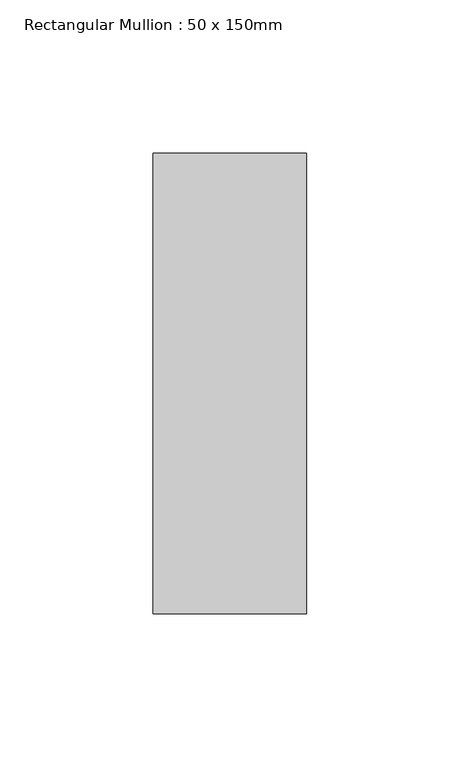
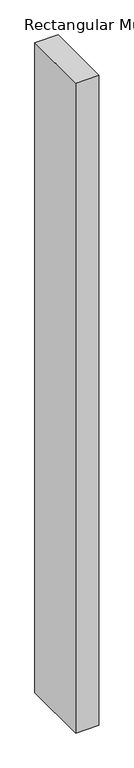
"""IFC4 building model written with IfcOpenShell, lengths in millimetres: member geometry, Rectangular Mullion : 50 x 150mm."""

from ifc_helpers import new_model, si_unit, frame, origin, place, context, project, spatial, polyline, outline, extrude, source, transform, mapped, element, save


def rectangular_mullion_50_x_150mm_5b1afe4d(model_context):
    return source(origin(), model_context, "Body", "SweptSolid", [
        extrude(outline(polyline([(25.0, 75.0), (25.0, -75.0), (-25.0, -75.0), (-25.0, 75.0), (25.0, 75.0)])), frame((0.0, 0.0, -1465.2835198), z_axis=(0.0, 0.0, 1.0), x_axis=(1.0, 0.0, 0.0)), (0.0, 0.0, 1.0), 1465.2835198),
    ])


if __name__ == "__main__":
    model = new_model("IFC4")
    model_context = context("Model", 3, world=origin())
    ifc_project = project(units=[si_unit("LENGTHUNIT", "METRE", prefix="MILLI")], contexts=[model_context])
    site = spatial("IfcSite", under=ifc_project)
    building = spatial("IfcBuilding", under=site)
    placement = place(None, origin())
    rectangular_mullion_50_x_150mm_shape = rectangular_mullion_50_x_150mm_5b1afe4d(model_context)
    element("IfcMember", 1, ObjectType="Rectangular Mullion : 50 x 150mm", at=placement, inside=building, context=model_context, shape_type="MappedRepresentation", body=[
        mapped(rectangular_mullion_50_x_150mm_shape, transform((0.0, 0.0, 0.0), x_axis=(1.0, 0.0, 0.0), y_axis=(0.0, 1.0, 0.0), z_axis=(0.0, 0.0, 1.0))),
    ])
    save(model, "model.ifc")
